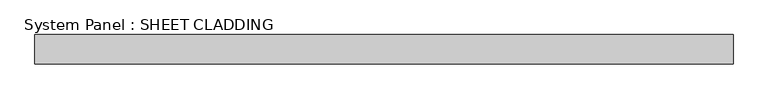
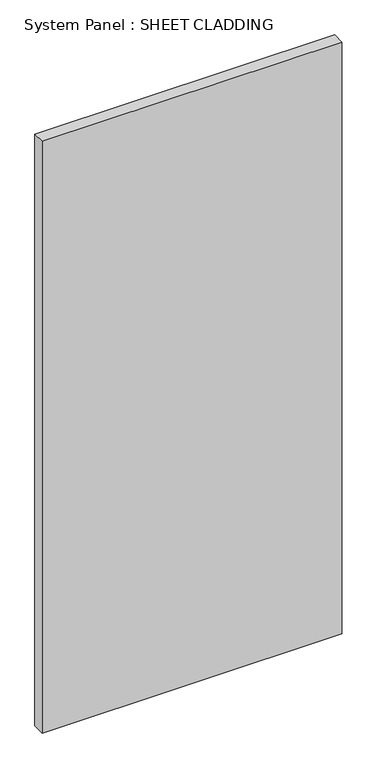
"""IFC4 building model written with IfcOpenShell, lengths in millimetres: plate geometry, System Panel : SHEET CLADDING."""

from ifc_helpers import new_model, si_unit, origin, origin_with_axes, place, context, project, spatial, polyline, outline, extrude, source, transform, mapped, element, save


def system_panel_sheet_cladding_d2a125ef(model_context):
    return source(origin(), model_context, "Body", "SweptSolid", [
        extrude(outline(polyline([(718.75, -49.5), (-718.75, -49.5), (-718.75, 10.5), (718.75, 10.5), (718.75, -49.5)])), origin_with_axes(), (0.0, 0.0, 1.0), 3000.0),
    ])


if __name__ == "__main__":
    model = new_model("IFC4")
    model_context = context("Model", 3, world=origin())
    ifc_project = project(units=[si_unit("LENGTHUNIT", "METRE", prefix="MILLI")], contexts=[model_context])
    site = spatial("IfcSite", under=ifc_project)
    building = spatial("IfcBuilding", under=site)
    placement = place(None, origin())
    system_panel_sheet_cladding_shape = system_panel_sheet_cladding_d2a125ef(model_context)
    element("IfcPlate", 1, ObjectType="System Panel : SHEET CLADDING", at=placement, inside=building, context=model_context, shape_type="MappedRepresentation", body=[
        mapped(system_panel_sheet_cladding_shape, transform((0.0, 0.0, 0.0), x_axis=(1.0, 0.0, 0.0), y_axis=(0.0, 1.0, 0.0), z_axis=(0.0, 0.0, 1.0))),
    ])
    save(model, "model.ifc")
